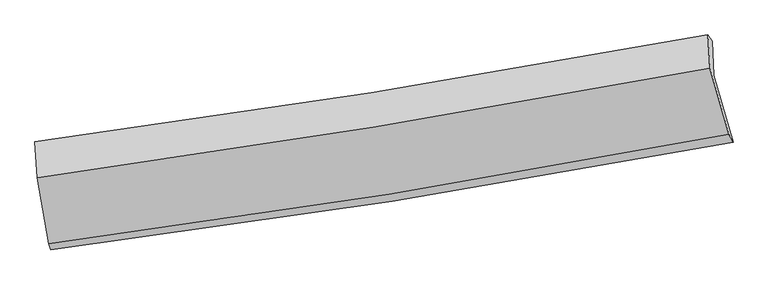
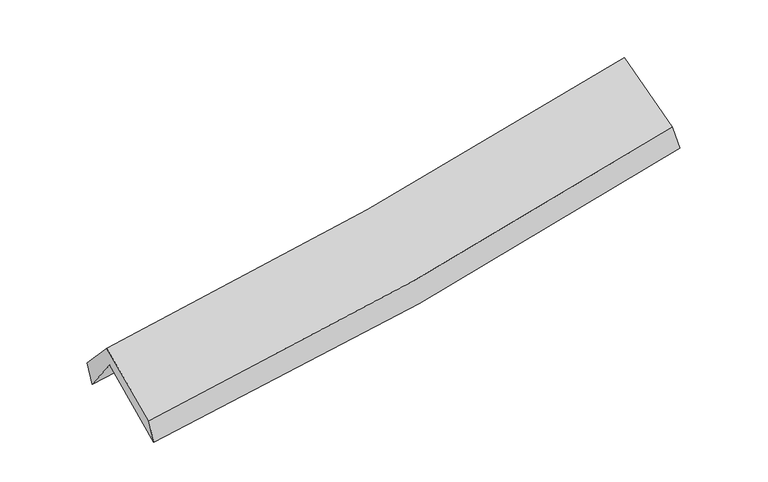
"""IFC4 building model written with IfcOpenShell, lengths in millimetres: proxy geometry."""

import ifcopenshell
import ifcopenshell.guid

model = None  # the IFC model being written
_history = None  # IfcOwnerHistory: only IFC2X3 demands one
_inside = {}  # id of a spatial element -> (the spatial element, [elements in it])
_under = {}  # id of a project, library or spatial element -> (it, [spatial elements below it])
_declared = {}  # id of a project -> (the project, [libraries it declares])
_typed = {}  # id of a type object -> (the type object, [elements of that type])
_made_of = {}  # id of a material, layer set ... -> (it, [elements and type objects made of it])


def new_model(schema):
    """Start an empty IFC model of exactly this schema.

    Asked for "IFC4X3", IfcOpenShell would pick the latest addendum, in which some entities
    have other attributes; the version numbers below select the first issue.
    IFC2X3 requires an IfcOwnerHistory on every rooted entity: one is made here for all.
    """
    global model, _history
    if schema == "IFC4X3":
        model = ifcopenshell.file(schema_version=(4, 3, 0, 0))
    else:
        model = ifcopenshell.file(schema=schema)
    _inside.clear()
    _under.clear()
    _declared.clear()
    _typed.clear()
    _made_of.clear()
    _history = None
    if model.schema == "IFC2X3":
        org = make("IfcOrganization", Name="unknown")
        user = make(
            "IfcPersonAndOrganization",
            ThePerson=make("IfcPerson", FamilyName="unknown"),
            TheOrganization=org,
        )
        app = make(
            "IfcApplication",
            ApplicationDeveloper=org,
            Version="unknown",
            ApplicationFullName="unknown",
            ApplicationIdentifier="unknown",
        )
        _history = make(
            "IfcOwnerHistory",
            OwningUser=user,
            OwningApplication=app,
            ChangeAction="ADDED",
            CreationDate=0,
        )
    return model


def make(cls, **values):
    """One entity of the class cls with the attributes given. An attribute that is None is left unset."""
    return model.create_entity(
        cls, **{name: value for name, value in values.items() if value is not None}
    )


def rooted(cls, **values):
    """An entity with a GlobalId (a new one), such as an element, a storey or a relation."""
    return make(cls, GlobalId=ifcopenshell.guid.new(), OwnerHistory=_history, **values)


def si_unit(unit_type, name, prefix=None):
    """IfcSIUnit, for example si_unit("LENGTHUNIT", "METRE", prefix="MILLI")."""
    return make("IfcSIUnit", UnitType=unit_type, Prefix=prefix, Name=name)


def assignment(units):
    """IfcUnitAssignment: the units of a project."""
    return None if units is None else make("IfcUnitAssignment", Units=units)


def point(xyz):
    """IfcCartesianPoint."""
    return None if xyz is None else make("IfcCartesianPoint", Coordinates=xyz)


def direction(xyz):
    """IfcDirection."""
    return None if xyz is None else make("IfcDirection", DirectionRatios=xyz)


def frame(location, z_axis=None, x_axis=None):
    """IfcAxis2Placement3D, a coordinate frame: its origin and axes. An axis left out is left unset."""
    return make(
        "IfcAxis2Placement3D",
        Location=point(location),
        Axis=direction(z_axis),
        RefDirection=direction(x_axis),
    )


def origin():
    """The frame at (0, 0, 0) with its axes left unset."""
    return frame((0.0, 0.0, 0.0))


def place(relative_to, where):
    """IfcLocalPlacement: puts the frame where relative to a parent placement (None: the world)."""
    return make(
        "IfcLocalPlacement", PlacementRelTo=relative_to, RelativePlacement=where
    )


def context(
    kind, dimensions, precision=None, world=None, true_north=None, identifier=None
):
    """IfcGeometricRepresentationContext, for example the 3D "Model" context."""
    return make(
        "IfcGeometricRepresentationContext",
        ContextIdentifier=identifier,
        ContextType=kind,
        CoordinateSpaceDimension=dimensions,
        Precision=precision,
        WorldCoordinateSystem=world,
        TrueNorth=true_north,
    )


def project(units=None, contexts=None):
    """IfcProject with its units and contexts."""
    return rooted(
        "IfcProject",
        Name="project",
        RepresentationContexts=contexts,
        UnitsInContext=assignment(units),
    )


def spatial(cls, under=None, at=None, **own):
    """A site, building, storey or space (cls), placed at a placement, below another one or the project."""
    s = rooted(cls, ObjectPlacement=at, **own)
    if under is not None:
        _under.setdefault(under.id(), (under, []))[1].append(s)
    return s


def shape(context_of_items, identifier, shape_type, items):
    """IfcShapeRepresentation: the items that make up one representation, for example the "Body"."""
    return make(
        "IfcShapeRepresentation",
        ContextOfItems=context_of_items,
        RepresentationIdentifier=identifier,
        RepresentationType=shape_type,
        Items=items,
    )


def source(mapping_origin, context_of_items, identifier, shape_type, items):
    """IfcRepresentationMap: a shape defined once, which mapped items show again and again."""
    return make(
        "IfcRepresentationMap",
        MappingOrigin=mapping_origin,
        MappedRepresentation=shape(context_of_items, identifier, shape_type, items),
    )


def transform(
    local_origin,
    x_axis=None,
    y_axis=None,
    z_axis=None,
    scale=None,
    scale2=None,
    scale3=None,
    uniform=True,
):
    """IfcCartesianTransformationOperator3D, or its non-uniform kind. x_axis, y_axis, z_axis: its Axis1, 2, 3."""
    if uniform:
        return make(
            "IfcCartesianTransformationOperator3D",
            Axis1=direction(x_axis),
            Axis2=direction(y_axis),
            LocalOrigin=point(local_origin),
            Scale=scale,
            Axis3=direction(z_axis),
        )
    return make(
        "IfcCartesianTransformationOperator3DnonUniform",
        Axis1=direction(x_axis),
        Axis2=direction(y_axis),
        LocalOrigin=point(local_origin),
        Scale=scale,
        Axis3=direction(z_axis),
        Scale2=scale2,
        Scale3=scale3,
    )


def mapped(mapping_source, mapping_target):
    """IfcMappedItem: shows the shape of a source again, moved by a transform."""
    return make(
        "IfcMappedItem", MappingSource=mapping_source, MappingTarget=mapping_target
    )


def made_of(thing, what):
    """Note that an element or type object is made of a material, layer set ...; save() writes the relation."""
    if what is not None:
        _made_of.setdefault(what.id(), (what, []))[1].append(thing)
    return thing


def element(
    cls,
    number,
    at=None,
    inside=None,
    cuts=None,
    type_object=None,
    material=None,
    context=None,
    identifier="Body",
    shape_type=None,
    held_by="IfcProductDefinitionShape",
    body=None,
    shapes=None,
    **own,
):
    """One element of the class cls, such as IfcWall. Its Tag is "e" and its number.

    at: its placement. inside: the storey or other place that contains it. cuts: it is an
    opening in that element (IfcRelVoidsElement). A single representation is given by context,
    identifier, shape_type and body (its items); several are given by shapes. held_by: the class
    of the entity that holds the representations. save() writes the other relations.
    """
    e = rooted(cls, Tag="e%d" % number, ObjectPlacement=at, **own)
    if body is not None:
        shapes = [shape(context, identifier, shape_type, body)]
    if shapes is not None:
        e.Representation = make(held_by, Representations=shapes)
    if inside is not None:
        _inside.setdefault(inside.id(), (inside, []))[1].append(e)
    if cuts is not None:
        rooted(
            "IfcRelVoidsElement", RelatingBuildingElement=cuts, RelatedOpeningElement=e
        )
    if type_object is not None:
        _typed.setdefault(type_object.id(), (type_object, []))[1].append(e)
    return made_of(e, material)


def aggregate(whole, parts):
    """IfcRelAggregates: a whole, such as a stair, and the parts it consists of."""
    return rooted("IfcRelAggregates", RelatingObject=whole, RelatedObjects=parts)


def save(model, path):
    """Write the relations noted so far, then the file.

    IfcRelAggregates (storeys below a building ...), IfcRelContainedInSpatialStructure (elements
    in a storey), IfcRelDefinesByType, IfcRelAssociatesMaterial and IfcRelDeclares: one each for
    every whole, place, type object, material and project.
    """
    for whole, parts in _under.values():
        aggregate(whole, parts)
    for where, things in _inside.values():
        rooted(
            "IfcRelContainedInSpatialStructure",
            RelatedElements=things,
            RelatingStructure=where,
        )
    for kind, things in _typed.values():
        rooted("IfcRelDefinesByType", RelatedObjects=things, RelatingType=kind)
    for what, things in _made_of.values():
        rooted("IfcRelAssociatesMaterial", RelatedObjects=things, RelatingMaterial=what)
    for by, libraries in _declared.values():
        rooted("IfcRelDeclares", RelatingContext=by, RelatedDefinitions=libraries)
    model.write(path)


def plane_surface(at):
    """IfcPlane: the flat surface through the origin of the frame at, square to its z axis."""
    return make("IfcPlane", Position=at)


def spline_curve(degree, points, multiplicities, knots, weights=None):
    """IfcBSplineCurveWithKnots; with weights, IfcRationalBSplineCurveWithKnots."""
    own = dict(
        Degree=degree,
        ControlPointsList=[point(p) for p in points],
        CurveForm="UNSPECIFIED",
        ClosedCurve=False,
        SelfIntersect=False,
        KnotMultiplicities=multiplicities,
        Knots=knots,
        KnotSpec="UNSPECIFIED",
    )
    if weights is None:
        return make("IfcBSplineCurveWithKnots", **own)
    return make("IfcRationalBSplineCurveWithKnots", WeightsData=weights, **own)


def spline_surface(u_degree, v_degree, points, u_multiplicities, v_multiplicities, u_knots, v_knots, weights=None):
    """IfcBSplineSurfaceWithKnots; with weights, IfcRationalBSplineSurfaceWithKnots. points: one row for each step in u."""
    own = dict(
        UDegree=u_degree,
        VDegree=v_degree,
        ControlPointsList=[[point(p) for p in row] for row in points],
        SurfaceForm="UNSPECIFIED",
        UClosed=False,
        VClosed=False,
        SelfIntersect=False,
        UMultiplicities=u_multiplicities,
        VMultiplicities=v_multiplicities,
        UKnots=u_knots,
        VKnots=v_knots,
        KnotSpec="UNSPECIFIED",
    )
    if weights is None:
        return make("IfcBSplineSurfaceWithKnots", **own)
    return make("IfcRationalBSplineSurfaceWithKnots", WeightsData=weights, **own)


def advanced_brep(points, edges, surfaces, faces):
    """IfcAdvancedBrep: a solid bounded by faces that lie on surfaces and meet in shared edges.

    An edge is (start, end): straight between two places in points (the first is 0);
    or (start, end, curve); or (start, end, curve, False) where it runs against its curve.
    A face is (place in surfaces, loops), or (place, loops, False) where it looks against
    its surface's normal. A loop lists edges by number (the first is 1), with a minus sign
    where the edge is run from its end to its start. The first loop is the outer one.
    """
    corners = [point(p) for p in points]
    vertices = [make("IfcVertexPoint", VertexGeometry=c) for c in corners]
    made = []
    for start, end, *more in edges:
        made.append(
            make(
                "IfcEdgeCurve",
                EdgeStart=vertices[start],
                EdgeEnd=vertices[end],
                EdgeGeometry=more[0] if more else make("IfcPolyline", Points=[corners[start], corners[end]]),
                SameSense=more[1] if len(more) > 1 else True,
            )
        )
    hull = []
    for where, loops, *sense in faces:
        bounds = []
        for j, loop in enumerate(loops):
            ring = [make("IfcOrientedEdge", EdgeElement=made[abs(k) - 1], Orientation=k > 0) for k in loop]
            bounds.append(
                make(
                    "IfcFaceOuterBound" if j == 0 else "IfcFaceBound",
                    Bound=make("IfcEdgeLoop", EdgeList=ring),
                    Orientation=True,
                )
            )
        hull.append(make("IfcAdvancedFace", Bounds=bounds, FaceSurface=surfaces[where], SameSense=sense[0] if sense else True))
    return make("IfcAdvancedBrep", Outer=make("IfcClosedShell", CfsFaces=hull))


def generic_models_463933a1(model_context):
    return source(origin(), model_context, "Body", "AdvancedBrep", [
        advanced_brep(
        [(-2435.7124521, -2476.3896211, 1489.6405029), (-2524.5260458, -1970.3415774, 1926.7431736), (2461.935654, -1187.3876521, 2368.2618899), (2605.7426485, -1680.1407462, 1952.9873531), (-2536.8082509, -1721.2609222, 1602.8873067), (2450.1126611, -934.658071, 2046.0027899), (-2552.6812673, -1675.2527669, 1776.3530449), (2419.9001817, -887.7505126, 2228.3278862), (-2536.0934321, -1942.5923963, 2065.5560191), (2435.0621099, -1135.8802584, 2514.0062862), (-2451.7143131, -2432.1078892, 1669.0201603), (2575.2270452, -1621.4306467, 2118.1108414)],
        [
            (0, 1),
            (1, 2, spline_curve(3, [(-2524.5260458, -1970.3415774, 1926.7431736), (-1689.646087713, -1869.652376842, 1970.342977234), (-858.204984954, -1754.359711045, 2028.743420266), (804.000616913, -1493.59462598, 2175.693804334), (1634.713413848, -1347.902649911, 2264.466266908), (2461.935654, -1187.3876521, 2368.2618899)], [4, 2, 4], [0.0, 8.331426750955654, 16.725249548411917])),
            (2, 3),
            (3, 0, spline_curve(3, [(2605.7426485, -1680.1407462, 1952.9873531), (1770.571295039, -1839.177617278, 1839.49624951), (931.281728229, -1985.249481363, 1744.061523237), (-749.26430395, -2250.473737058, 1589.880022128), (-1590.459770508, -2369.818164429, 1530.865798255), (-2435.7124521, -2476.3896211, 1489.6405029)], [4, 2, 4], [0.0, 8.393822797456263, 16.725249548411917])),
            (1, 4),
            (4, 5, spline_curve(3, [(-2536.8082509, -1721.2609222, 1602.8873067), (-1702.205612504, -1614.731597371, 1642.057338013), (-870.865704236, -1496.206163063, 1698.366704406), (791.490320369, -1234.185568897, 1845.814183079), (1622.457382557, -1090.510052803, 1937.209977713), (2450.1126611, -934.658071, 2046.0027899)], [4, 2, 4], [0.0, 8.28475305457458, 16.631552605180588])),
            (5, 2),
            (4, 6),
            (6, 7, spline_curve(3, [(-2552.6812673, -1675.2527669, 1776.3530449), (-1722.4134532, -1565.06662528, 1831.360179413), (-894.435098672, -1444.631569394, 1896.350420486), (763.126471777, -1182.284906116, 2046.858609237), (1592.67526735, -1040.219210438, 2132.526648456), (2419.9001817, -887.7505126, 2228.3278862)], [4, 2, 4], [0.0, 8.274031483057376, 16.61002916573418])),
            (7, 5),
            (6, 8),
            (8, 9, spline_curve(3, [(-2536.0934321, -1942.5923963, 2065.5560191), (-1705.364206653, -1828.845432579, 2113.753760034), (-877.272226669, -1705.034422104, 2175.035075362), (779.819270295, -1436.281684588, 2324.321791876), (1608.77913788, -1291.188649158, 2412.523898738), (2435.0621099, -1135.8802584, 2514.0062862)], [4, 2, 4], [0.0, 8.263788586208404, 16.589466660533247])),
            (9, 7),
            (8, 10),
            (10, 11, spline_curve(3, [(-2451.7143131, -2432.1078892, 1669.0201603), (-1609.958826982, -2321.185997607, 1714.526245139), (-771.718952381, -2198.464828458, 1774.509681867), (903.981022518, -1928.416477755, 1923.988914983), (1741.388267497, -1780.911899705, 2013.7023717), (2575.2270452, -1621.4306467, 2118.1108414)], [4, 2, 4], [0.0, 8.310777632788026, 16.683796665894693])),
            (11, 9),
            (10, 0),
            (3, 11),
        ],
        [
            spline_surface(3, 3, [[(-2435.7124521, -2476.3896211, 1489.6405029), (-1590.45977051, -2369.818164507, 1530.865798336), (-749.264303847, -2250.473736986, 1589.880022065), (931.281728126, -1985.249481436, 1744.0615233), (1770.571295054, -1839.177617324, 1839.496249641), (2605.7426485, -1680.1407462, 1952.9873531)], [(-2465.316983341, -2307.706939879, 1635.341393142), (-1623.521876225, -2203.096235277, 1677.358191348), (-785.577864182, -2085.102394996, 1736.167821442), (888.854691013, -1821.364529626, 1887.938950339), (1725.285334709, -1675.41929489, 1981.152922102), (2557.806983697, -1515.889714828, 2091.412198699)], [(-2494.921514559, -2139.024258621, 1781.042283358), (-1656.583981917, -2036.37430601, 1823.850584334), (-821.891424506, -1919.731053008, 1882.455620812), (846.427653913, -1657.479577817, 2031.816377373), (1679.999374273, -1511.660972471, 2122.809594566), (2509.871318803, -1351.638683472, 2229.837044301)], [(-2524.5260458, -1970.3415774, 1926.7431736), (-1689.646087631, -1869.65237678, 1970.342977346), (-858.204984842, -1754.359711019, 2028.743420188), (804.0006168, -1493.594626006, 2175.693804413), (1634.713413928, -1347.902650037, 2264.466267027), (2461.935654, -1187.3876521, 2368.2618899)]], [4, 4], [4, 2, 4], [0.0, 2.1942146353025427], [0.0, 8.331426750955654, 16.725249548411917]),
            spline_surface(3, 3, [[(-2524.5260458, -1970.3415774, 1926.7431736), (-1689.646087631, -1869.65237678, 1970.342977346), (-858.204984842, -1754.359711019, 2028.743420188), (804.0006168, -1493.594626006, 2175.693804413), (1634.713413928, -1347.902650037, 2264.466267027), (2461.935654, -1187.3876521, 2368.2618899)], [(-2528.620114164, -1887.314692319, 1818.791217955), (-1693.832595923, -1784.678783592, 1860.914430871), (-862.425224632, -1668.308528342, 1918.617848288), (799.83051793, -1407.124940306, 2065.733930634), (1630.628070131, -1262.105117623, 2155.380837223), (2457.994656363, -1103.144458413, 2260.842189903)], [(-2532.714182536, -1804.287807281, 1710.839262345), (-1698.019104224, -1699.705190446, 1751.485884431), (-866.645464344, -1582.257345698, 1808.492276349), (795.660419138, -1320.655254638, 1955.774056816), (1626.542726345, -1176.307585168, 2046.295407409), (2454.053658737, -1018.901264687, 2153.422489897)], [(-2536.8082509, -1721.2609222, 1602.8873067), (-1702.205612516, -1614.731597257, 1642.057337956), (-870.865704134, -1496.206163022, 1698.366704449), (791.490320268, -1234.185568938, 1845.814183037), (1622.457382549, -1090.510052754, 1937.209977605), (2450.1126611, -934.658071, 2046.0027899)]], [4, 4], [4, 2, 4], [0.0, 1.3768267684412778], [0.0, 8.28475305457458, 16.631552605180588]),
            spline_surface(3, 3, [[(-2536.8082509, -1721.2609222, 1602.8873067), (-1702.205612516, -1614.731597257, 1642.057337956), (-870.865704134, -1496.206163022, 1698.366704449), (791.490320268, -1234.185568938, 1845.814183037), (1622.457382549, -1090.510052754, 1937.209977605), (2450.1126611, -934.658071, 2046.0027899)], [(-2542.099256389, -1705.92487042, 1660.709219453), (-1708.94155941, -1598.176606587, 1705.158285115), (-878.722169001, -1479.014631832, 1764.361276454), (782.035704175, -1216.885347967, 1912.82899176), (1612.530010768, -1073.746438629, 2002.315534601), (2440.04183463, -919.022218199, 2106.77782201)], [(-2547.390261811, -1690.58881868, 1718.531132147), (-1715.677506235, -1581.621615956, 1768.259232214), (-886.578633942, -1461.823100658, 1830.355848485), (772.581088008, -1199.585127013, 1979.84380051), (1602.602639, -1056.982824506, 2067.421091568), (2429.97100817, -903.386365401, 2167.55285409)], [(-2552.6812673, -1675.2527669, 1776.3530449), (-1722.413453129, -1565.066625285, 1831.360179373), (-894.435098809, -1444.631569468, 1896.35042049), (763.126471915, -1182.284906042, 2046.858609233), (1592.675267219, -1040.219210381, 2132.526648564), (2419.9001817, -887.7505126, 2228.3278862)]], [4, 4], [4, 2, 4], [0.0, 0.6816128962462863], [0.0, 8.274031483057376, 16.61002916573418]),
            spline_surface(3, 3, [[(-2552.6812673, -1675.2527669, 1776.3530449), (-1722.413453129, -1565.066625285, 1831.360179373), (-894.435098809, -1444.631569468, 1896.35042049), (763.126471915, -1182.284906042, 2046.858609233), (1592.675267219, -1040.219210381, 2132.526648564), (2419.9001817, -887.7505126, 2228.3278862)], [(-2547.151988897, -1764.365976703, 1872.754036293), (-1716.730370997, -1652.992894402, 1925.491372886), (-888.714141467, -1531.432520315, 1989.245305449), (768.690738076, -1266.950498909, 2139.346336777), (1598.043224056, -1123.875690003, 2225.85906531), (2424.954157757, -970.46042786, 2323.55401954)], [(-2541.622710503, -1853.479186497, 1969.155027707), (-1711.047288874, -1740.919163512, 2019.62256642), (-882.99318412, -1618.233471183, 2082.140190411), (774.255004243, -1351.616091795, 2231.834064323), (1603.411180921, -1207.532169646, 2319.191482038), (2430.008133843, -1053.17034314, 2418.78015286)], [(-2536.0934321, -1942.5923963, 2065.5560191), (-1705.364206742, -1828.845432629, 2113.753759933), (-877.272226778, -1705.03442203, 2175.035075371), (779.819270405, -1436.281684662, 2324.321791867), (1608.779137757, -1291.188649268, 2412.523898784), (2435.0621099, -1135.8802584, 2514.0062862)]], [4, 4], [4, 2, 4], [0.0, 1.243903915135149], [0.0, 8.263788586208404, 16.589466660533247]),
            spline_surface(3, 3, [[(-2536.0934321, -1942.5923963, 2065.5560191), (-1705.364206742, -1828.845432629, 2113.753759933), (-877.272226778, -1705.03442203, 2175.035075371), (779.819270405, -1436.281684662, 2324.321791867), (1608.779137757, -1291.188649268, 2412.523898784), (2435.0621099, -1135.8802584, 2514.0062862)], [(-2507.967059099, -2105.764227289, 1933.37739949), (-1673.562413487, -1992.958954355, 1980.677921624), (-842.087802041, -1869.511224155, 2041.526610903), (821.206521131, -1600.32661575, 2190.877499568), (1652.982181039, -1454.42973277, 2279.58338976), (2481.783755012, -1297.73038783, 2382.041137939)], [(-2479.840686101, -2268.936058211, 1801.19877991), (-1641.760620235, -2157.072476014, 1847.602083343), (-806.903377243, -2033.988026222, 1908.018146391), (862.593771918, -1764.371546779, 2057.433207225), (1697.185224285, -1617.670816283, 2146.642880718), (2528.505400088, -1459.58051727, 2250.075989661)], [(-2451.7143131, -2432.1078892, 1669.0201603), (-1609.95882698, -2321.18599774, 1714.526245034), (-771.718952506, -2198.464828347, 1774.509681924), (903.981022645, -1928.416477867, 1923.988914926), (1741.388267566, -1780.911899785, 2013.702371694), (2575.2270452, -1621.4306467, 2118.1108414)]], [4, 4], [4, 2, 4], [0.0, 2.117046737923609], [0.0, 8.310777632788026, 16.683796665894693]),
            spline_surface(3, 3, [[(-2451.7143131, -2432.1078892, 1669.0201603), (-1609.95882698, -2321.18599774, 1714.526245034), (-771.718952506, -2198.464828347, 1774.509681924), (903.981022645, -1928.416477867, 1923.988914926), (1741.388267566, -1780.911899785, 2013.702371694), (2575.2270452, -1621.4306467, 2118.1108414)], [(-2446.38035941, -2446.86846649, 1609.226941166), (-1603.459141467, -2337.396719986, 1653.306096134), (-764.234069592, -2215.801131231, 1712.96646195), (913.081257833, -1947.360812394, 1864.013117697), (1751.11594337, -1800.333805634, 1955.63366432), (2585.398912941, -1641.00067987, 2063.06967861)], [(-2441.04640579, -2461.62904381, 1549.433722034), (-1596.959456023, -2353.607442261, 1592.085947236), (-756.749186761, -2233.137434101, 1651.423242038), (922.181492937, -1966.305146909, 1804.037320529), (1760.84361925, -1819.755711475, 1897.564957015), (2595.570780759, -1660.57071303, 2008.02851589)], [(-2435.7124521, -2476.3896211, 1489.6405029), (-1590.45977051, -2369.818164507, 1530.865798336), (-749.264303847, -2250.473736986, 1589.880022065), (931.281728126, -1985.249481436, 1744.0615233), (1770.571295054, -1839.177617324, 1839.496249641), (2605.7426485, -1680.1407462, 1952.9873531)]], [4, 4], [4, 2, 4], [0.0, 0.6293948063223803], [0.0, 8.36775041091157, 16.79816890489605]),
            plane_surface(frame((2491.3300501, -1241.2079812, 2204.6161745), z_axis=(0.9753651977308924, 0.18953930370083757, 0.1128609029202711), x_axis=(0.21833217417012718, -0.7563323287010323, -0.616678579394338))),
            plane_surface(frame((-2506.2559602, -2036.3241955, 1755.0333679), z_axis=(-0.9906045398046036, -0.12395751747572524, -0.057768326786961276), x_axis=(-0.08628378684918614, 0.23877194644244162, 0.9672347521253836))),
        ],
        [
            (0, [[1, 2, 3, 4]]),
            (1, [[5, 6, 7, -2]]),
            (2, [[8, 9, 10, -6]]),
            (3, [[11, 12, 13, -9]]),
            (4, [[14, 15, 16, -12]]),
            (5, [[17, -4, 18, -15]]),
            (6, [[-16, -18, -3, -7, -10, -13]]),
            (7, [[-17, -14, -11, -8, -5, -1]]),
        ],
    ),
    ])


if __name__ == "__main__":
    model = new_model("IFC4")
    model_context = context("Model", 3, world=origin())
    ifc_project = project(units=[si_unit("LENGTHUNIT", "METRE", prefix="MILLI")], contexts=[model_context])
    site = spatial("IfcSite", under=ifc_project)
    building = spatial("IfcBuilding", under=site)
    placement = place(None, origin())
    generic_models_shape = generic_models_463933a1(model_context)
    element("IfcBuildingElementProxy", 1, Name="Generic Models", at=placement, inside=building, context=model_context, shape_type="MappedRepresentation", body=[
        mapped(generic_models_shape, transform((0.0, 0.0, 0.0), x_axis=(1.0, 0.0, 0.0), y_axis=(0.0, 1.0, 0.0), z_axis=(0.0, 0.0, 1.0))),
    ])
    save(model, "model.ifc")
